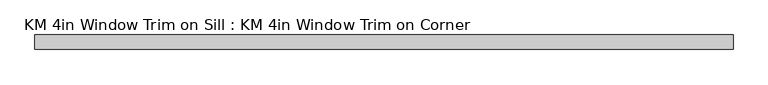
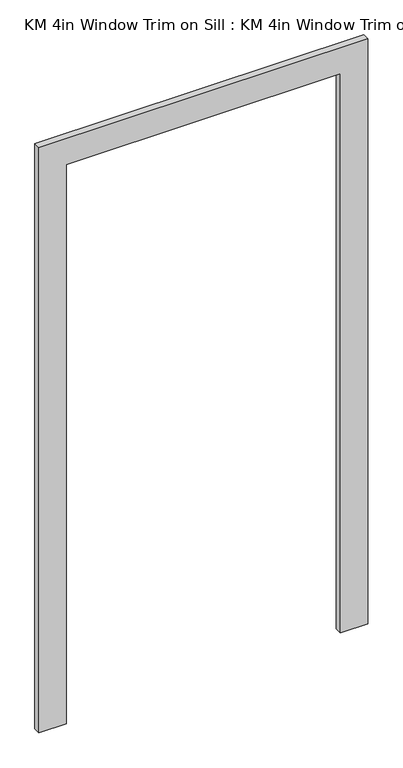
"""IFC4 building model written with IfcOpenShell, lengths in millimetres: proxy geometry, KM 4in Window Trim on Sill : KM 4in Window Trim on Corner."""

from ifc_helpers import new_model, si_unit, frame, origin, place, context, project, spatial, polyline, outline, extrude, source, transform, mapped, element, save


def km_4in_window_trim_on_sill_km_4in_window_trim_on_corner_81482d97(model_context):
    return source(origin(), model_context, "Body", "SweptSolid", [
        extrude(outline(polyline([(3107.4944226, 508.0), (914.4, 508.0), (914.4, 609.6), (3209.0944226, 609.6), (3209.0944226, -609.6), (914.4, -609.6), (914.4, -508.0), (3107.4944226, -508.0), (3107.4944226, 508.0)])), frame((0.0, 63.5, 0.0), z_axis=(0.0, 1.0, 0.0), x_axis=(0.0, 0.0, 1.0)), (0.0, 0.0, 1.0), 25.4),
    ])


if __name__ == "__main__":
    model = new_model("IFC4")
    model_context = context("Model", 3, world=origin())
    ifc_project = project(units=[si_unit("LENGTHUNIT", "METRE", prefix="MILLI")], contexts=[model_context])
    site = spatial("IfcSite", under=ifc_project)
    building = spatial("IfcBuilding", under=site)
    placement = place(None, origin())
    km_4in_window_trim_on_sill_km_4in_window_trim_on_corner_shape = km_4in_window_trim_on_sill_km_4in_window_trim_on_corner_81482d97(model_context)
    element("IfcBuildingElementProxy", 1, Name="KM 4in Window Trim on Sill : KM 4in Window Trim on Corner", ObjectType="KM 4in Window Trim on Sill : KM 4in Window Trim on Corner", at=placement, inside=building, context=model_context, shape_type="MappedRepresentation", body=[
        mapped(km_4in_window_trim_on_sill_km_4in_window_trim_on_corner_shape, transform((0.0, 0.0, 0.0), x_axis=(1.0, 0.0, 0.0), y_axis=(0.0, 1.0, 0.0), z_axis=(0.0, 0.0, 1.0))),
    ])
    save(model, "model.ifc")
